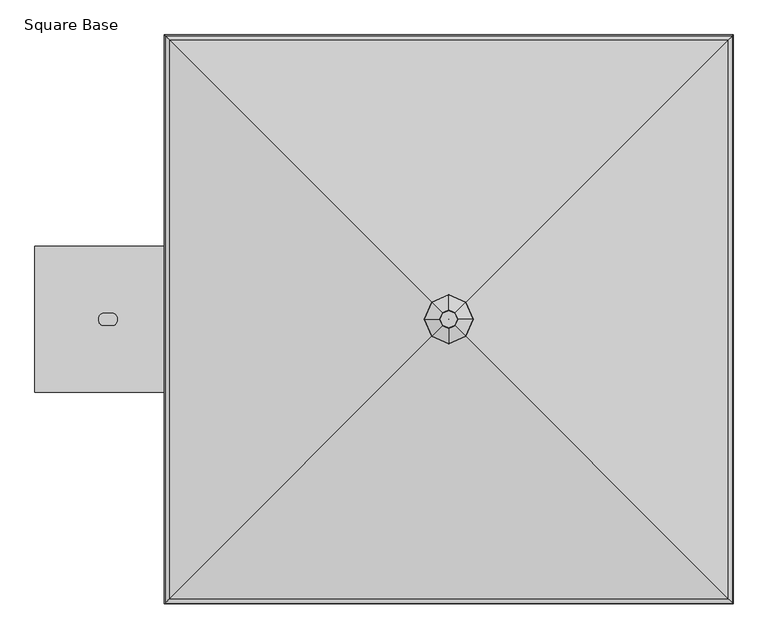
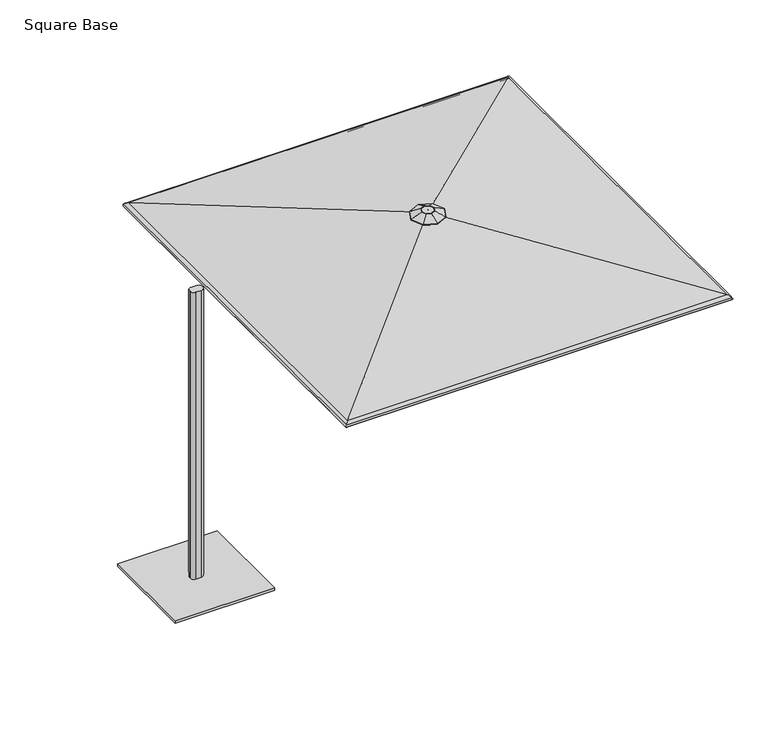
"""IFC4 building model written with IfcOpenShell, lengths in millimetres: furniture geometry, Square Base."""

import ifcopenshell
import ifcopenshell.guid

model = None  # the IFC model being written
_history = None  # IfcOwnerHistory: only IFC2X3 demands one
_inside = {}  # id of a spatial element -> (the spatial element, [elements in it])
_under = {}  # id of a project, library or spatial element -> (it, [spatial elements below it])
_declared = {}  # id of a project -> (the project, [libraries it declares])
_typed = {}  # id of a type object -> (the type object, [elements of that type])
_made_of = {}  # id of a material, layer set ... -> (it, [elements and type objects made of it])


def new_model(schema):
    """Start an empty IFC model of exactly this schema.

    Asked for "IFC4X3", IfcOpenShell would pick the latest addendum, in which some entities
    have other attributes; the version numbers below select the first issue.
    IFC2X3 requires an IfcOwnerHistory on every rooted entity: one is made here for all.
    """
    global model, _history
    if schema == "IFC4X3":
        model = ifcopenshell.file(schema_version=(4, 3, 0, 0))
    else:
        model = ifcopenshell.file(schema=schema)
    _inside.clear()
    _under.clear()
    _declared.clear()
    _typed.clear()
    _made_of.clear()
    _history = None
    if model.schema == "IFC2X3":
        org = make("IfcOrganization", Name="unknown")
        user = make(
            "IfcPersonAndOrganization",
            ThePerson=make("IfcPerson", FamilyName="unknown"),
            TheOrganization=org,
        )
        app = make(
            "IfcApplication",
            ApplicationDeveloper=org,
            Version="unknown",
            ApplicationFullName="unknown",
            ApplicationIdentifier="unknown",
        )
        _history = make(
            "IfcOwnerHistory",
            OwningUser=user,
            OwningApplication=app,
            ChangeAction="ADDED",
            CreationDate=0,
        )
    return model


def make(cls, **values):
    """One entity of the class cls with the attributes given. An attribute that is None is left unset."""
    return model.create_entity(
        cls, **{name: value for name, value in values.items() if value is not None}
    )


def rooted(cls, **values):
    """An entity with a GlobalId (a new one), such as an element, a storey or a relation."""
    return make(cls, GlobalId=ifcopenshell.guid.new(), OwnerHistory=_history, **values)


def si_unit(unit_type, name, prefix=None):
    """IfcSIUnit, for example si_unit("LENGTHUNIT", "METRE", prefix="MILLI")."""
    return make("IfcSIUnit", UnitType=unit_type, Prefix=prefix, Name=name)


def assignment(units):
    """IfcUnitAssignment: the units of a project."""
    return None if units is None else make("IfcUnitAssignment", Units=units)


def point(xyz):
    """IfcCartesianPoint."""
    return None if xyz is None else make("IfcCartesianPoint", Coordinates=xyz)


def direction(xyz):
    """IfcDirection."""
    return None if xyz is None else make("IfcDirection", DirectionRatios=xyz)


def frame(location, z_axis=None, x_axis=None):
    """IfcAxis2Placement3D, a coordinate frame: its origin and axes. An axis left out is left unset."""
    return make(
        "IfcAxis2Placement3D",
        Location=point(location),
        Axis=direction(z_axis),
        RefDirection=direction(x_axis),
    )


def frame_2d(location, x_axis=None):
    """IfcAxis2Placement2D, a coordinate frame in the plane: its origin and x axis."""
    return make(
        "IfcAxis2Placement2D", Location=point(location), RefDirection=direction(x_axis)
    )


def origin():
    """The frame at (0, 0, 0) with its axes left unset."""
    return frame((0.0, 0.0, 0.0))


def origin_with_axes():
    """The frame at (0, 0, 0) with the z axis (0, 0, 1) and the x axis (1, 0, 0) written out."""
    return frame((0.0, 0.0, 0.0), z_axis=(0.0, 0.0, 1.0), x_axis=(1.0, 0.0, 0.0))


def place(relative_to, where):
    """IfcLocalPlacement: puts the frame where relative to a parent placement (None: the world)."""
    return make(
        "IfcLocalPlacement", PlacementRelTo=relative_to, RelativePlacement=where
    )


def context(
    kind, dimensions, precision=None, world=None, true_north=None, identifier=None
):
    """IfcGeometricRepresentationContext, for example the 3D "Model" context."""
    return make(
        "IfcGeometricRepresentationContext",
        ContextIdentifier=identifier,
        ContextType=kind,
        CoordinateSpaceDimension=dimensions,
        Precision=precision,
        WorldCoordinateSystem=world,
        TrueNorth=true_north,
    )


def project(units=None, contexts=None):
    """IfcProject with its units and contexts."""
    return rooted(
        "IfcProject",
        Name="project",
        RepresentationContexts=contexts,
        UnitsInContext=assignment(units),
    )


def spatial(cls, under=None, at=None, **own):
    """A site, building, storey or space (cls), placed at a placement, below another one or the project."""
    s = rooted(cls, ObjectPlacement=at, **own)
    if under is not None:
        _under.setdefault(under.id(), (under, []))[1].append(s)
    return s


def polyline(points):
    """IfcPolyline through the points."""
    return make("IfcPolyline", Points=[point(p) for p in points])


def circle_curve(where, radius):
    """IfcCircle in the frame where."""
    return make("IfcCircle", Position=where, Radius=radius)


def ellipse_curve(where, semi_axis1, semi_axis2):
    """IfcEllipse in the frame where."""
    return make(
        "IfcEllipse", Position=where, SemiAxis1=semi_axis1, SemiAxis2=semi_axis2
    )


def trimmed(basis, trim1, trim2, sense, master):
    """IfcTrimmedCurve: the piece of a basis curve between two trims."""
    return make(
        "IfcTrimmedCurve",
        BasisCurve=basis,
        Trim1=trim1,
        Trim2=trim2,
        SenseAgreement=sense,
        MasterRepresentation=master,
    )


def segment(curve, same_sense, transition):
    """IfcCompositeCurveSegment."""
    return make(
        "IfcCompositeCurveSegment",
        Transition=transition,
        SameSense=same_sense,
        ParentCurve=curve,
    )


def composite_curve(segments, self_intersect=None):
    """IfcCompositeCurve: segments joined end to end."""
    return make("IfcCompositeCurve", Segments=segments, SelfIntersect=self_intersect)


def outline(outer, holes=None, kind="AREA"):
    """IfcArbitraryClosedProfileDef: a profile drawn as a closed curve; with holes, ...WithVoids."""
    if holes is None:
        return make("IfcArbitraryClosedProfileDef", ProfileType=kind, OuterCurve=outer)
    return make(
        "IfcArbitraryProfileDefWithVoids",
        ProfileType=kind,
        OuterCurve=outer,
        InnerCurves=holes,
    )


def extrude(swept, where, along, depth):
    """IfcExtrudedAreaSolid: the profile swept, set in the frame where, extruded along a direction by depth."""
    return make(
        "IfcExtrudedAreaSolid",
        SweptArea=swept,
        Position=where,
        ExtrudedDirection=direction(along),
        Depth=depth,
    )


def shape(context_of_items, identifier, shape_type, items):
    """IfcShapeRepresentation: the items that make up one representation, for example the "Body"."""
    return make(
        "IfcShapeRepresentation",
        ContextOfItems=context_of_items,
        RepresentationIdentifier=identifier,
        RepresentationType=shape_type,
        Items=items,
    )


def source(mapping_origin, context_of_items, identifier, shape_type, items):
    """IfcRepresentationMap: a shape defined once, which mapped items show again and again."""
    return make(
        "IfcRepresentationMap",
        MappingOrigin=mapping_origin,
        MappedRepresentation=shape(context_of_items, identifier, shape_type, items),
    )


def transform(
    local_origin,
    x_axis=None,
    y_axis=None,
    z_axis=None,
    scale=None,
    scale2=None,
    scale3=None,
    uniform=True,
):
    """IfcCartesianTransformationOperator3D, or its non-uniform kind. x_axis, y_axis, z_axis: its Axis1, 2, 3."""
    if uniform:
        return make(
            "IfcCartesianTransformationOperator3D",
            Axis1=direction(x_axis),
            Axis2=direction(y_axis),
            LocalOrigin=point(local_origin),
            Scale=scale,
            Axis3=direction(z_axis),
        )
    return make(
        "IfcCartesianTransformationOperator3DnonUniform",
        Axis1=direction(x_axis),
        Axis2=direction(y_axis),
        LocalOrigin=point(local_origin),
        Scale=scale,
        Axis3=direction(z_axis),
        Scale2=scale2,
        Scale3=scale3,
    )


def mapped(mapping_source, mapping_target):
    """IfcMappedItem: shows the shape of a source again, moved by a transform."""
    return make(
        "IfcMappedItem", MappingSource=mapping_source, MappingTarget=mapping_target
    )


def made_of(thing, what):
    """Note that an element or type object is made of a material, layer set ...; save() writes the relation."""
    if what is not None:
        _made_of.setdefault(what.id(), (what, []))[1].append(thing)
    return thing


def element(
    cls,
    number,
    at=None,
    inside=None,
    cuts=None,
    type_object=None,
    material=None,
    context=None,
    identifier="Body",
    shape_type=None,
    held_by="IfcProductDefinitionShape",
    body=None,
    shapes=None,
    **own,
):
    """One element of the class cls, such as IfcWall. Its Tag is "e" and its number.

    at: its placement. inside: the storey or other place that contains it. cuts: it is an
    opening in that element (IfcRelVoidsElement). A single representation is given by context,
    identifier, shape_type and body (its items); several are given by shapes. held_by: the class
    of the entity that holds the representations. save() writes the other relations.
    """
    e = rooted(cls, Tag="e%d" % number, ObjectPlacement=at, **own)
    if body is not None:
        shapes = [shape(context, identifier, shape_type, body)]
    if shapes is not None:
        e.Representation = make(held_by, Representations=shapes)
    if inside is not None:
        _inside.setdefault(inside.id(), (inside, []))[1].append(e)
    if cuts is not None:
        rooted(
            "IfcRelVoidsElement", RelatingBuildingElement=cuts, RelatedOpeningElement=e
        )
    if type_object is not None:
        _typed.setdefault(type_object.id(), (type_object, []))[1].append(e)
    return made_of(e, material)


def aggregate(whole, parts):
    """IfcRelAggregates: a whole, such as a stair, and the parts it consists of."""
    return rooted("IfcRelAggregates", RelatingObject=whole, RelatedObjects=parts)


def save(model, path):
    """Write the relations noted so far, then the file.

    IfcRelAggregates (storeys below a building ...), IfcRelContainedInSpatialStructure (elements
    in a storey), IfcRelDefinesByType, IfcRelAssociatesMaterial and IfcRelDeclares: one each for
    every whole, place, type object, material and project.
    """
    for whole, parts in _under.values():
        aggregate(whole, parts)
    for where, things in _inside.values():
        rooted(
            "IfcRelContainedInSpatialStructure",
            RelatedElements=things,
            RelatingStructure=where,
        )
    for kind, things in _typed.values():
        rooted("IfcRelDefinesByType", RelatedObjects=things, RelatingType=kind)
    for what, things in _made_of.values():
        rooted("IfcRelAssociatesMaterial", RelatedObjects=things, RelatingMaterial=what)
    for by, libraries in _declared.values():
        rooted("IfcRelDeclares", RelatingContext=by, RelatedDefinitions=libraries)
    model.write(path)


def plane_surface(at):
    """IfcPlane: the flat surface through the origin of the frame at, square to its z axis."""
    return make("IfcPlane", Position=at)


def cylinder_surface(at, radius):
    """IfcCylindricalSurface: all points at the distance radius from the z axis of the frame at."""
    return make("IfcCylindricalSurface", Position=at, Radius=radius)


def revolved_surface(curve, axis_point, axis_direction):
    """IfcSurfaceOfRevolution: the curve turned about the line through axis_point along axis_direction."""
    return make(
        "IfcSurfaceOfRevolution",
        SweptCurve=make("IfcArbitraryOpenProfileDef", ProfileType="CURVE", Curve=curve),
        AxisPosition=make("IfcAxis1Placement", Location=point(axis_point), Axis=direction(axis_direction)),
    )


def advanced_brep(points, edges, surfaces, faces):
    """IfcAdvancedBrep: a solid bounded by faces that lie on surfaces and meet in shared edges.

    An edge is (start, end): straight between two places in points (the first is 0);
    or (start, end, curve); or (start, end, curve, False) where it runs against its curve.
    A face is (place in surfaces, loops), or (place, loops, False) where it looks against
    its surface's normal. A loop lists edges by number (the first is 1), with a minus sign
    where the edge is run from its end to its start. The first loop is the outer one.
    """
    corners = [point(p) for p in points]
    vertices = [make("IfcVertexPoint", VertexGeometry=c) for c in corners]
    made = []
    for start, end, *more in edges:
        made.append(
            make(
                "IfcEdgeCurve",
                EdgeStart=vertices[start],
                EdgeEnd=vertices[end],
                EdgeGeometry=more[0] if more else make("IfcPolyline", Points=[corners[start], corners[end]]),
                SameSense=more[1] if len(more) > 1 else True,
            )
        )
    hull = []
    for where, loops, *sense in faces:
        bounds = []
        for j, loop in enumerate(loops):
            ring = [make("IfcOrientedEdge", EdgeElement=made[abs(k) - 1], Orientation=k > 0) for k in loop]
            bounds.append(
                make(
                    "IfcFaceOuterBound" if j == 0 else "IfcFaceBound",
                    Bound=make("IfcEdgeLoop", EdgeList=ring),
                    Orientation=True,
                )
            )
        hull.append(make("IfcAdvancedFace", Bounds=bounds, FaceSurface=surfaces[where], SameSense=sense[0] if sense else True))
    return make("IfcAdvancedBrep", Outer=make("IfcClosedShell", CfsFaces=hull))


def square_base_9fbd0736(model_context):
    return source(origin(), model_context, "Body", "SolidModel", [
        advanced_brep(
        [(243.7167733, -4.0299408, 2843.4799255), (227.6284214, 33.0984806, 2843.4799255), (190.5, 49.1868325, 2843.4799255), (153.3715786, 33.0984806, 2843.4799255), (137.2832267, -4.0299408, 2843.4799255), (153.3715786, -41.1583622, 2843.4799255), (190.5, -57.2467141, 2843.4799255), (227.6284214, -41.1583622, 2843.4799255), (190.2200807, -3.7500215, 2843.4799255), (190.5, -3.6287279, 2843.4799255), (190.7799193, -3.7500215, 2843.4799255), (190.9012128, -4.0299408, 2843.4799255), (190.7799193, -4.30986, 2843.4799255), (190.5, -4.4311536, 2843.4799255), (190.2200807, -4.30986, 2843.4799255), (190.0987872, -4.0299408, 2843.4799255), (170.7122835, 15.7577757, 2828.9716869), (190.5, 24.3321167, 2828.9716869), (210.2877165, 15.7577757, 2828.9716869), (218.8620575, -4.0299408, 2828.9716869), (210.2877165, -23.8176572, 2828.9716869), (190.5, -32.3919982, 2828.9716869), (170.7122835, -23.8176572, 2828.9716869), (162.1379425, -4.0299408, 2828.9716869), (190.9012128, -4.0299408, 2828.9716869), (190.7799193, -3.7500215, 2828.9716869), (190.5, -3.6287279, 2828.9716869), (190.2200807, -3.7500215, 2828.9716869), (190.0987872, -4.0299408, 2828.9716869), (190.2200807, -4.30986, 2828.9716869), (190.5, -4.4311536, 2828.9716869), (190.7799193, -4.30986, 2828.9716869), (84.5700231, 101.9000361, 2796.4187712), (38.6688326, -4.0299408, 2796.4187712), (83.8039003, 102.6661589, 2798.9948487), (37.5707362, -4.0299408, 2798.9948487), (149.033862, 37.4361973, 2842.1265361), (131.0659065, -4.0299408, 2842.1265361), (84.5700231, -109.9599176, 2796.4187712), (83.8039003, -110.7260405, 2798.9948487), (149.033862, -45.4960788, 2842.1265361), (190.5, -155.8611082, 2796.4187712), (190.5, -156.9592046, 2798.9948487), (190.5, -63.4640343, 2842.1265361), (296.4299769, -109.9599176, 2796.4187712), (297.1960997, -110.7260405, 2798.9948487), (231.966138, -45.4960788, 2842.1265361), (342.3311674, -4.0299408, 2796.4187712), (343.4292638, -4.0299408, 2798.9948487), (249.9340935, -4.0299408, 2842.1265361), (296.4299769, 101.9000361, 2796.4187712), (297.1960997, 102.6661589, 2798.9948487), (231.966138, 37.4361973, 2842.1265361), (190.5, 147.8012266, 2796.4187712), (190.5, 148.899323, 2798.9948487), (190.5, 55.4041527, 2842.1265361)],
        [
            (0, 1),
            (1, 2),
            (2, 3),
            (3, 4),
            (4, 5),
            (5, 6),
            (6, 7),
            (7, 0),
            (8, 9),
            (9, 10),
            (10, 11),
            (11, 12),
            (12, 13),
            (13, 14),
            (14, 15),
            (15, 8),
            (16, 17),
            (17, 18),
            (18, 19),
            (19, 20),
            (20, 21),
            (21, 22),
            (22, 23),
            (23, 16),
            (24, 25),
            (25, 26),
            (26, 27),
            (27, 28),
            (28, 29),
            (29, 30),
            (30, 31),
            (31, 24),
            (27, 8),
            (15, 28),
            (14, 29),
            (13, 30),
            (12, 31),
            (11, 24),
            (10, 25),
            (9, 26),
            (32, 16),
            (23, 33),
            (33, 32),
            (34, 32, ellipse_curve(frame((84.278338, 102.1917212, 2797.7538132), z_axis=(-0.7071067811865479, -0.707106781186547, 0.0), x_axis=(-0.7071067811865467, 0.7071067811865482, 0.0)), 1.4936871, 1.3890625)),
            (33, 35, ellipse_curve(frame((38.2507556, -4.0299408, 2797.7538132), z_axis=(0.0, 0.9999999999999999, 0.0), x_axis=(1.0, 0.0, 0.0)), 1.5138634, 1.3890625)),
            (35, 34),
            (36, 34),
            (35, 37),
            (37, 36),
            (3, 36, ellipse_curve(frame((153.3715786, 33.0984806, 2830.7799255), z_axis=(-0.7071067811865479, -0.707106781186547, 0.0), x_axis=(-0.7071067811865467, 0.7071067811865482, 0.0)), 13.656568, 12.7)),
            (37, 4, ellipse_curve(frame((137.2832267, -4.0299408, 2830.7799255), z_axis=(0.0, 0.9999999999999999, 0.0), x_axis=(1.0, 0.0, 0.0)), 13.8410369, 12.7)),
            (22, 38),
            (38, 33),
            (38, 39, ellipse_curve(frame((84.278338, -110.2516027, 2797.7538132), z_axis=(-0.707106781186547, 0.707106781186548, 0.0), x_axis=(0.7071067811865479, 0.707106781186547, 0.0)), 1.4936871, 1.3890625)),
            (39, 35),
            (39, 40),
            (40, 37),
            (40, 5, ellipse_curve(frame((153.3715786, -41.1583622, 2830.7799255), z_axis=(-0.707106781186547, 0.707106781186548, 0.0), x_axis=(0.7071067811865479, 0.707106781186547, 0.0)), 13.656568, 12.7)),
            (21, 41),
            (41, 38),
            (41, 42, ellipse_curve(frame((190.5, -156.2791852, 2797.7538132), z_axis=(-0.9999999999999999, 0.0, 0.0), x_axis=(0.0, 1.0, 0.0)), 1.5138634, 1.3890625)),
            (42, 39),
            (42, 43),
            (43, 40),
            (43, 6, ellipse_curve(frame((190.5, -57.2467141, 2830.7799255), z_axis=(-0.9999999999999999, 0.0, 0.0), x_axis=(0.0, 1.0, 0.0)), 13.8410369, 12.7)),
            (20, 44),
            (44, 41),
            (44, 45, ellipse_curve(frame((296.721662, -110.2516027, 2797.7538132), z_axis=(-0.707106781186548, -0.707106781186547, 0.0), x_axis=(-0.7071067811865469, 0.7071067811865481, 0.0)), 1.4936871, 1.3890625)),
            (45, 42),
            (45, 46),
            (46, 43),
            (46, 7, ellipse_curve(frame((227.6284214, -41.1583622, 2830.7799255), z_axis=(-0.707106781186548, -0.707106781186547, 0.0), x_axis=(-0.7071067811865469, 0.7071067811865481, 0.0)), 13.656568, 12.7)),
            (19, 47),
            (47, 44),
            (47, 48, ellipse_curve(frame((342.7492444, -4.0299408, 2797.7538132), z_axis=(0.0, -1.0, 0.0), x_axis=(-1.0, 0.0, 0.0)), 1.5138634, 1.3890625)),
            (48, 45),
            (48, 49),
            (49, 46),
            (49, 0, ellipse_curve(frame((243.7167733, -4.0299408, 2830.7799255), z_axis=(0.0, -1.0, 0.0), x_axis=(-1.0, 0.0, 0.0)), 13.8410369, 12.7)),
            (18, 50),
            (50, 47),
            (50, 51, ellipse_curve(frame((296.721662, 102.1917212, 2797.7538132), z_axis=(0.707106781186547, -0.707106781186548, 0.0), x_axis=(-0.7071067811865478, -0.7071067811865471, 0.0)), 1.4936871, 1.3890625)),
            (51, 48),
            (51, 52),
            (52, 49),
            (52, 1, ellipse_curve(frame((227.6284214, 33.0984806, 2830.7799255), z_axis=(0.707106781186547, -0.707106781186548, 0.0), x_axis=(-0.7071067811865478, -0.7071067811865471, 0.0)), 13.656568, 12.7)),
            (17, 53),
            (53, 50),
            (53, 54, ellipse_curve(frame((190.5, 148.2193037, 2797.7538132), z_axis=(0.9999999999999999, 0.0, 0.0), x_axis=(0.0, -1.0, 0.0)), 1.5138634, 1.3890625)),
            (54, 51),
            (54, 55),
            (55, 52),
            (55, 2, ellipse_curve(frame((190.5, 49.1868325, 2830.7799255), z_axis=(0.9999999999999999, 0.0, 0.0), x_axis=(0.0, -1.0, 0.0)), 13.8410369, 12.7)),
            (32, 53),
            (34, 54),
            (36, 55),
        ],
        [
            plane_surface(frame((190.5, 49.1868325, 2843.4799255), z_axis=(0.0, 0.0, 1.0), x_axis=(-0.9175613115760063, -0.3975943152246007, 0.0))),
            plane_surface(frame((190.5, -3.6287279, 2828.9716869), z_axis=(0.0, 0.0, -1.0000000000000002), x_axis=(-0.9175613115759947, -0.39759431522462746, 0.0))),
            plane_surface(frame((190.2200807, -3.7500215, 2843.4799255), z_axis=(0.9175613115760348, -0.397594315224535, 0.0), x_axis=(-0.397594315224535, -0.9175613115760348, 0.0))),
            plane_surface(frame((190.0987872, -4.0299408, 2843.4799255), z_axis=(0.9175613115760161, 0.3975943152245781, 0.0), x_axis=(0.3975943152245781, -0.9175613115760161, 0.0))),
            plane_surface(frame((190.2200807, -4.30986, 2843.4799255), z_axis=(0.39759431522454197, 0.9175613115760317, 0.0), x_axis=(0.9175613115760317, -0.39759431522454197, 0.0))),
            plane_surface(frame((190.5, -4.4311536, 2843.4799255), z_axis=(-0.3975943152245726, 0.9175613115760184, 0.0), x_axis=(0.9175613115760184, 0.3975943152245726, 0.0))),
            plane_surface(frame((190.7799193, -4.30986, 2843.4799255), z_axis=(-0.9175613115759994, 0.39759431522461663, 0.0), x_axis=(0.39759431522461663, 0.9175613115759994, 0.0))),
            plane_surface(frame((190.9012128, -4.0299408, 2843.4799255), z_axis=(-0.91756131157602, -0.3975943152245694, 0.0), x_axis=(-0.3975943152245694, 0.91756131157602, 0.0))),
            plane_surface(frame((190.7799193, -3.7500215, 2843.4799255), z_axis=(-0.3975943152246114, -0.9175613115760016, 0.0), x_axis=(-0.9175613115760016, 0.3975943152246114, 0.0))),
            plane_surface(frame((190.5, -3.6287279, 2843.4799255), z_axis=(0.39759431522460253, -0.9175613115760055, 0.0), x_axis=(-0.9175613115760055, -0.39759431522460253, 0.0))),
            plane_surface(frame((170.7122835, 15.7577757, 2828.9716869), z_axis=(0.25339888552783735, -0.10980187928485084, -0.9611100624375781), x_axis=(-0.39759431522460265, -0.9175613115760055, 0.0))),
            cylinder_surface(frame((84.3593942, 102.3787813, 2797.7538132), z_axis=(0.3975943152246023, 0.9175613115760056, 0.0), x_axis=(0.9175613115760056, -0.3975943152246023, 0.0)), 1.3890625),
            plane_surface(frame((83.8039003, 102.6661589, 2798.9948487), z_axis=(-0.4121636618055376, 0.1785972520948631, 0.8934339021053628), x_axis=(-0.3975943152246023, -0.9175613115760056, 0.0))),
            cylinder_surface(frame((167.7366896, 66.2500363, 2830.7799255), z_axis=(0.3975943152246023, 0.9175613115760056, 0.0), x_axis=(0.9175613115760056, -0.3975943152246023, 0.0)), 12.7),
            plane_surface(frame((162.1379425, -4.0299408, 2828.9716869), z_axis=(0.25339888552783774, 0.1098018792848499, -0.9611100624375779), x_axis=(0.39759431522459926, -0.9175613115760068, 0.0))),
            cylinder_surface(frame((38.1619188, -3.8249249, 2797.7538132), z_axis=(-0.39759431522459965, 0.9175613115760068, 0.0), x_axis=(0.9175613115760068, 0.39759431522459965, 0.0)), 1.3890625),
            plane_surface(frame((37.5707362, -4.0299408, 2798.9948487), z_axis=(-0.41216366180553804, -0.17859725209486188, 0.8934339021053624), x_axis=(0.39759431522459965, -0.9175613115760067, 0.0))),
            cylinder_surface(frame((121.5392142, 32.3038202, 2830.7799255), z_axis=(-0.39759431522459965, 0.9175613115760068, 0.0), x_axis=(0.9175613115760068, 0.39759431522459965, 0.0)), 12.7),
            plane_surface(frame((170.7122835, -23.8176572, 2828.9716869), z_axis=(0.10980187928485022, 0.2533988855278375, -0.9611100624375781), x_axis=(0.9175613115760065, -0.39759431522460054, 0.0))),
            cylinder_surface(frame((84.0912779, -110.1705465, 2797.7538132), z_axis=(-0.9175613115760063, 0.3975943152246009, 0.0), x_axis=(0.3975943152246009, 0.9175613115760063, 0.0)), 1.3890625),
            plane_surface(frame((83.8039003, -110.7260405, 2798.9948487), z_axis=(-0.17859725209486255, -0.4121636618055377, 0.8934339021053628), x_axis=(0.9175613115760062, -0.39759431522460115, 0.0))),
            cylinder_surface(frame((120.2200229, -26.7932512, 2830.7799255), z_axis=(-0.9175613115760063, 0.3975943152246009, 0.0), x_axis=(0.3975943152246009, 0.9175613115760063, 0.0)), 12.7),
            plane_surface(frame((190.5, -32.3919982, 2828.9716869), z_axis=(-0.10980187928485018, 0.2533988855278376, -0.9611100624375781), x_axis=(0.9175613115760065, 0.39759431522460026, 0.0))),
            cylinder_surface(frame((190.2949841, -156.368022, 2797.7538132), z_axis=(-0.9175613115760062, -0.3975943152246011, 0.0), x_axis=(-0.3975943152246011, 0.9175613115760062, 0.0)), 1.3890625),
            plane_surface(frame((190.5, -156.9592046, 2798.9948487), z_axis=(0.1785972520948624, -0.4121636618055376, 0.8934339021053627), x_axis=(0.9175613115760062, 0.397594315224601, 0.0))),
            cylinder_surface(frame((154.1662391, -72.9907266, 2830.7799255), z_axis=(-0.9175613115760062, -0.3975943152246011, 0.0), x_axis=(-0.3975943152246011, 0.9175613115760062, 0.0)), 12.7),
            plane_surface(frame((210.2877165, -23.8176572, 2828.9716869), z_axis=(-0.2533988855278374, 0.10980187928485075, -0.9611100624375781), x_axis=(0.3975943152246023, 0.9175613115760056, 0.0))),
            cylinder_surface(frame((296.6406058, -110.4386628, 2797.7538132), z_axis=(-0.3975943152246023, -0.9175613115760057, 0.0), x_axis=(-0.9175613115760057, 0.3975943152246023, 0.0)), 1.3890625),
            plane_surface(frame((297.1960997, -110.7260405, 2798.9948487), z_axis=(0.4121636618055374, -0.17859725209486313, 0.8934339021053627), x_axis=(0.39759431522460253, 0.9175613115760055, 0.0))),
            cylinder_surface(frame((213.2633104, -74.3099178, 2830.7799255), z_axis=(-0.3975943152246023, -0.9175613115760057, 0.0), x_axis=(-0.9175613115760057, 0.3975943152246023, 0.0)), 12.7),
            plane_surface(frame((218.8620575, -4.0299408, 2828.9716869), z_axis=(-0.2533988855278377, -0.1098018792848499, -0.961110062437578), x_axis=(-0.3975943152245993, 0.9175613115760068, 0.0))),
            cylinder_surface(frame((342.8380812, -4.2349567, 2797.7538132), z_axis=(0.39759431522459965, -0.9175613115760066, 0.0), x_axis=(-0.9175613115760066, -0.39759431522459965, 0.0)), 1.3890625),
            plane_surface(frame((343.4292638, -4.0299408, 2798.9948487), z_axis=(0.4121636618055379, 0.1785972520948618, 0.8934339021053627), x_axis=(-0.3975943152245996, 0.9175613115760067, 0.0))),
            cylinder_surface(frame((259.4607858, -40.3637017, 2830.7799255), z_axis=(0.39759431522459965, -0.9175613115760066, 0.0), x_axis=(-0.9175613115760066, -0.39759431522459965, 0.0)), 12.7),
            plane_surface(frame((210.2877165, 15.7577757, 2828.9716869), z_axis=(-0.10980187928485009, -0.2533988855278375, -0.961110062437578), x_axis=(-0.9175613115760065, 0.3975943152246001, 0.0))),
            cylinder_surface(frame((296.9087221, 102.110665, 2797.7538132), z_axis=(0.9175613115760062, -0.3975943152246008, 0.0), x_axis=(-0.3975943152246008, -0.9175613115760062, 0.0)), 1.3890625),
            plane_surface(frame((297.1960997, 102.6661589, 2798.9948487), z_axis=(0.17859725209486232, 0.41216366180553754, 0.8934339021053628), x_axis=(-0.9175613115760062, 0.39759431522460087, 0.0))),
            cylinder_surface(frame((260.7799771, 18.7333696, 2830.7799255), z_axis=(0.9175613115760062, -0.3975943152246008, 0.0), x_axis=(-0.3975943152246008, -0.9175613115760062, 0.0)), 12.7),
            plane_surface(frame((190.5, 24.3321167, 2828.9716869), z_axis=(0.1098018792848503, -0.25339888552783746, -0.961110062437578), x_axis=(-0.9175613115760063, -0.39759431522460087, 0.0))),
            cylinder_surface(frame((190.7050159, 148.3081404, 2797.7538132), z_axis=(0.9175613115760061, 0.39759431522460115, 0.0), x_axis=(0.39759431522460115, -0.9175613115760061, 0.0)), 1.3890625),
            plane_surface(frame((190.5, 148.899323, 2798.9948487), z_axis=(-0.17859725209486235, 0.4121636618055375, 0.8934339021053627), x_axis=(-0.9175613115760062, -0.397594315224601, 0.0))),
            cylinder_surface(frame((226.8337609, 64.9308451, 2830.7799255), z_axis=(0.9175613115760061, 0.39759431522460115, 0.0), x_axis=(0.39759431522460115, -0.9175613115760061, 0.0)), 12.7),
        ],
        [
            (0, [[1, 2, 3, 4, 5, 6, 7, 8], [9, 10, 11, 12, 13, 14, 15, 16]]),
            (1, [[17, 18, 19, 20, 21, 22, 23, 24], [25, 26, 27, 28, 29, 30, 31, 32]]),
            (2, [[33, -16, 34, -28]]),
            (3, [[-34, -15, 35, -29]]),
            (4, [[-35, -14, 36, -30]]),
            (5, [[-36, -13, 37, -31]]),
            (6, [[-37, -12, 38, -32]]),
            (7, [[-38, -11, 39, -25]]),
            (8, [[-39, -10, 40, -26]]),
            (9, [[-40, -9, -33, -27]]),
            (10, [[41, -24, 42, 43]]),
            (11, [[44, -43, 45, 46]]),
            (12, [[47, -46, 48, 49]]),
            (13, [[50, -49, 51, -4]]),
            (14, [[-42, -23, 52, 53]]),
            (15, [[-45, -53, 54, 55]]),
            (16, [[-48, -55, 56, 57]]),
            (17, [[-51, -57, 58, -5]]),
            (18, [[-52, -22, 59, 60]]),
            (19, [[-54, -60, 61, 62]]),
            (20, [[-56, -62, 63, 64]]),
            (21, [[-58, -64, 65, -6]]),
            (22, [[-59, -21, 66, 67]]),
            (23, [[-61, -67, 68, 69]]),
            (24, [[-63, -69, 70, 71]]),
            (25, [[-65, -71, 72, -7]]),
            (26, [[-66, -20, 73, 74]]),
            (27, [[-68, -74, 75, 76]]),
            (28, [[-70, -76, 77, 78]]),
            (29, [[-72, -78, 79, -8]]),
            (30, [[-73, -19, 80, 81]]),
            (31, [[-75, -81, 82, 83]]),
            (32, [[-77, -83, 84, 85]]),
            (33, [[-79, -85, 86, -1]]),
            (34, [[-80, -18, 87, 88]]),
            (35, [[-82, -88, 89, 90]]),
            (36, [[-84, -90, 91, 92]]),
            (37, [[-86, -92, 93, -2]]),
            (38, [[-87, -17, -41, 94]]),
            (39, [[-89, -94, -44, 95]]),
            (40, [[-91, -95, -47, 96]]),
            (41, [[-93, -96, -50, -3]]),
        ],
    ),
        advanced_brep(
        [(1969.2597722, 1775.5831599, 2424.8460308), (1966.4607714, 1772.7841591, 2444.7505632), (1966.4607714, -1780.8440407, 2444.7505632), (1969.2597722, -1783.6430415, 2424.8460308), (1964.8682201, 1771.1916078, 2426.0889856), (1964.8682201, -1779.2514894, 2426.0889856), (1962.5823249, 1768.9057126, 2442.3446706), (1962.5823249, -1776.9655942, 2442.3446706), (-1588.2597722, -1783.6430415, 2424.8460308), (-1583.8682201, -1779.2514894, 2426.0889856), (-1581.5823249, -1776.9655942, 2442.3446706), (1936.4170078, -1750.8002771, 2460.5452311), (-1555.4170078, -1750.8002771, 2460.5452311), (238.8667055, -53.2499747, 2804.5941208), (142.1332945, -53.2499747, 2804.5941208), (191.0356592, -5.4189284, 2809.1581833), (191.0356592, -5.4189284, 2804.5941208), (189.9643408, -5.4189284, 2804.5941208), (189.9643408, -5.4189284, 2809.1581833), (1937.3235912, -1751.7068604, 2465.0183478), (239.3245589, -53.7078281, 2809.1581833), (141.6754411, -53.7078281, 2809.1581833), (-1556.3235912, -1751.7068604, 2465.0183478), (-1585.4607714, -1780.8440407, 2444.7505632), (-1588.2597722, 1775.5831599, 2424.8460308), (-1583.8682201, 1771.1916078, 2426.0889856), (-1581.5823249, 1768.9057126, 2442.3446706), (-1555.4170078, 1742.7403955, 2460.5452311), (142.1332945, 45.1900932, 2804.5941208), (189.9643408, -2.6409532, 2804.5941208), (189.9643408, -2.6409532, 2809.1581833), (141.6754411, 45.6479465, 2809.1581833), (-1556.3235912, 1743.6469788, 2465.0183478), (-1585.4607714, 1772.7841591, 2444.7505632), (1936.4170078, 1742.7403955, 2460.5452311), (238.8667055, 45.1900932, 2804.5941208), (191.0356592, -2.6409532, 2804.5941208), (191.0356592, -2.6409532, 2809.1581833), (239.3245589, 45.6479465, 2809.1581833), (1937.3235912, 1743.6469788, 2465.0183478)],
        [
            (0, 1, ellipse_curve(frame((1945.3037712, 1751.6271588, 2431.626373), z_axis=(0.7071067811865479, -0.707106781186547, 0.0), x_axis=(0.7071067811865469, 0.7071067811865481, 0.0)), 35.2097438, 24.8970486)),
            (1, 2),
            (2, 3, ellipse_curve(frame((1945.3037712, -1759.6870404, 2431.626373), z_axis=(0.7071067811865492, 0.7071067811865457, 0.0), x_axis=(-0.7071067811865456, 0.7071067811865493, 0.0)), 35.2097438, 24.8970486)),
            (3, 0),
            (4, 0, ellipse_curve(frame((1967.0639962, 1773.3873839, 2425.4675082), z_axis=(0.7071067811865479, -0.707106781186547, 0.0), x_axis=(0.7071067811865469, 0.7071067811865481, 0.0)), 3.2272795, 2.2820312)),
            (3, 5, ellipse_curve(frame((1967.0639962, -1781.4472654, 2425.4675082), z_axis=(0.7071067811865492, 0.7071067811865457, 0.0), x_axis=(-0.7071067811865456, 0.7071067811865493, 0.0)), 3.2272795, 2.2820312)),
            (5, 4),
            (6, 4, ellipse_curve(frame((1945.3037712, 1751.6271588, 2431.626373), z_axis=(-0.7071067811865479, 0.707106781186547, 0.0), x_axis=(-0.7071067811865469, -0.7071067811865481, 0.0)), 28.7551847, 20.3329861)),
            (5, 7, ellipse_curve(frame((1945.3037712, -1759.6870404, 2431.626373), z_axis=(-0.7071067811865492, -0.7071067811865457, 0.0), x_axis=(0.7071067811865456, -0.7071067811865493, 0.0)), 28.7551847, 20.3329861)),
            (7, 6),
            (3, 8),
            (8, 9, ellipse_curve(frame((-1586.0639962, -1781.4472654, 2425.4675082), z_axis=(0.7071067811865469, -0.7071067811865481, 0.0), x_axis=(0.7071067811865481, 0.7071067811865469, 0.0)), 3.2272795, 2.2820312)),
            (9, 5),
            (9, 10, ellipse_curve(frame((-1564.3037712, -1759.6870404, 2431.626373), z_axis=(-0.7071067811865469, 0.7071067811865481, 0.0), x_axis=(-0.7071067811865481, -0.7071067811865469, 0.0)), 28.7551847, 20.3329861)),
            (10, 7),
            (11, 7, ellipse_curve(frame((1928.4351327, -1742.8184019, 2421.1623556), z_axis=(0.7071067811865492, 0.7071067811865457, 0.0), x_axis=(-0.7071067811865458, 0.7071067811865491, 0.0)), 56.8281833, 40.1835938)),
            (10, 12, ellipse_curve(frame((-1547.4351327, -1742.8184019, 2421.1623556), z_axis=(-0.7071067811865469, 0.7071067811865481, 0.0), x_axis=(-0.7071067811865481, -0.7071067811865469, 0.0)), 56.8281833, 40.1835938)),
            (12, 11),
            (13, 11),
            (12, 14),
            (14, 13),
            (15, 16),
            (16, 17),
            (17, 18),
            (18, 15),
            (19, 20),
            (20, 21),
            (21, 22),
            (22, 19),
            (2, 19, ellipse_curve(frame((1928.4351327, -1742.8184019, 2421.1623556), z_axis=(-0.7071067811865492, -0.7071067811865457, 0.0), x_axis=(0.7071067811865458, -0.7071067811865491, 0.0)), 63.2827424, 44.7476563)),
            (22, 23, ellipse_curve(frame((-1547.4351327, -1742.8184019, 2421.1623556), z_axis=(0.7071067811865469, -0.7071067811865481, 0.0), x_axis=(0.7071067811865481, 0.7071067811865469, 0.0)), 63.2827424, 44.7476563)),
            (23, 2),
            (23, 8, ellipse_curve(frame((-1564.3037712, -1759.6870404, 2431.626373), z_axis=(0.7071067811865469, -0.7071067811865481, 0.0), x_axis=(0.7071067811865481, 0.7071067811865469, 0.0)), 35.2097438, 24.8970486)),
            (8, 24),
            (24, 25, ellipse_curve(frame((-1586.0639962, 1773.3873839, 2425.4675082), z_axis=(-0.7071067811865459, -0.7071067811865491, 0.0), x_axis=(0.7071067811865491, -0.7071067811865458, 0.0)), 3.2272795, 2.2820312)),
            (25, 9),
            (25, 26, ellipse_curve(frame((-1564.3037712, 1751.6271588, 2431.626373), z_axis=(0.7071067811865459, 0.7071067811865491, 0.0), x_axis=(-0.7071067811865491, 0.7071067811865458, 0.0)), 28.7551847, 20.3329861)),
            (26, 10),
            (26, 27, ellipse_curve(frame((-1547.4351327, 1734.7585204, 2421.1623556), z_axis=(0.7071067811865459, 0.7071067811865491, 0.0), x_axis=(-0.7071067811865491, 0.7071067811865458, 0.0)), 56.8281833, 40.1835938)),
            (27, 12),
            (27, 28),
            (28, 14),
            (17, 29),
            (29, 30),
            (30, 18),
            (21, 31),
            (31, 32),
            (32, 22),
            (32, 33, ellipse_curve(frame((-1547.4351327, 1734.7585204, 2421.1623556), z_axis=(-0.7071067811865459, -0.7071067811865491, 0.0), x_axis=(0.7071067811865491, -0.7071067811865458, 0.0)), 63.2827424, 44.7476563)),
            (33, 23),
            (33, 24, ellipse_curve(frame((-1564.3037712, 1751.6271588, 2431.626373), z_axis=(-0.7071067811865459, -0.7071067811865491, 0.0), x_axis=(0.7071067811865491, -0.7071067811865458, 0.0)), 35.2097438, 24.8970486)),
            (24, 0),
            (4, 25),
            (6, 26),
            (6, 34, ellipse_curve(frame((1928.4351327, 1734.7585204, 2421.1623556), z_axis=(0.7071067811865479, -0.707106781186547, 0.0), x_axis=(0.7071067811865472, 0.7071067811865477, 0.0)), 56.8281833, 40.1835938)),
            (34, 27),
            (34, 35),
            (35, 28),
            (29, 36),
            (36, 37),
            (37, 30),
            (31, 38),
            (38, 39),
            (39, 32),
            (39, 1, ellipse_curve(frame((1928.4351327, 1734.7585204, 2421.1623556), z_axis=(-0.7071067811865479, 0.707106781186547, 0.0), x_axis=(-0.7071067811865472, -0.7071067811865477, 0.0)), 63.2827424, 44.7476563)),
            (1, 33),
            (11, 34),
            (13, 35),
            (16, 36),
            (15, 37),
            (20, 38),
            (19, 39),
        ],
        [
            cylinder_surface(frame((1945.3037712, 1783.2910751, 2431.626373), z_axis=(0.0, 1.0, 0.0), x_axis=(1.0, 0.0, 0.0)), 24.8970486),
            cylinder_surface(frame((1967.0639962, 1783.2910751, 2425.4675082), z_axis=(0.0, 1.0, 0.0), x_axis=(1.0, 0.0, 0.0)), 2.2820312),
            revolved_surface(polyline([(1965.6367573, -1780.020026495642, 2431.626373), (1965.6367573, 1771.9601448956416, 2431.626373)]), (1945.3037712, 1783.2910751, 2431.626373), (0.0, -1.0, 0.0)),
            cylinder_surface(frame((1976.9676874, -1781.4472654, 2425.4675082), z_axis=(1.0, 0.0, 0.0), x_axis=(0.0, -1.0, 0.0)), 2.2820312),
            revolved_surface(polyline([(-1584.6367572956422, -1780.0200264999999, 2431.626373), (1965.6367572956417, -1780.0200264999999, 2431.626373)]), (1976.9676874, -1759.6870404, 2431.626373), (-1.0, 0.0, 0.0)),
            revolved_surface(polyline([(-1587.6187264739422, -1783.0019957, 2421.1623556), (1968.618726473942, -1783.0019957, 2421.1623556)]), (1976.9676874, -1742.8184019, 2421.1623556), (-1.0, 0.0, 0.0)),
            plane_surface(frame((1936.4170078, -1750.8002771, 2460.5452311), z_axis=(0.0, 0.19863517413845191, -0.9800735011186594), x_axis=(-1.0, 0.0, 0.0))),
            plane_surface(frame((191.0356592, -5.4189284, 2804.5941208), z_axis=(0.0, 1.0, 0.0), x_axis=(-1.0, 0.0, 0.0))),
            plane_surface(frame((239.3245589, -53.7078281, 2809.1581833), z_axis=(0.0, -0.19863517413845186, 0.9800735011186594), x_axis=(-1.0, 0.0, 0.0))),
            cylinder_surface(frame((1976.9676874, -1742.8184019, 2421.1623556), z_axis=(1.0, 0.0, 0.0), x_axis=(0.0, -1.0, 0.0)), 44.7476563),
            cylinder_surface(frame((1976.9676874, -1759.6870404, 2431.626373), z_axis=(1.0, 0.0, 0.0), x_axis=(0.0, -1.0, 0.0)), 24.8970486),
            cylinder_surface(frame((-1586.0639962, -1791.3509566, 2425.4675082), z_axis=(0.0, -1.0, 0.0), x_axis=(-1.0, 0.0, 0.0)), 2.2820312),
            revolved_surface(polyline([(-1584.6367573, 1771.9601448956416, 2431.626373), (-1584.6367573, -1780.0200264956416, 2431.626373)]), (-1564.3037712, -1791.3509566, 2431.626373), (0.0, 1.0, 0.0)),
            revolved_surface(polyline([(-1587.6187264999999, 1774.942114173942, 2421.1623556), (-1587.6187264999999, -1783.001995673942, 2421.1623556)]), (-1547.4351327, -1791.3509566, 2421.1623556), (0.0, 1.0, 0.0)),
            plane_surface(frame((-1555.4170078, -1750.8002771, 2460.5452311), z_axis=(0.19863517413844872, 0.0, -0.9800735011186601), x_axis=(0.0, 1.0, 0.0))),
            plane_surface(frame((189.9643408, -5.4189284, 2804.5941208), z_axis=(1.0, 0.0, 0.0), x_axis=(0.0, 1.0, 0.0))),
            plane_surface(frame((141.6754411, -53.7078281, 2809.1581833), z_axis=(-0.19863517413844867, 0.0, 0.9800735011186601), x_axis=(0.0, 1.0, 0.0))),
            cylinder_surface(frame((-1547.4351327, -1791.3509566, 2421.1623556), z_axis=(0.0, -1.0, 0.0), x_axis=(-1.0, 0.0, 0.0)), 44.7476563),
            cylinder_surface(frame((-1564.3037712, -1791.3509566, 2431.626373), z_axis=(0.0, -1.0, 0.0), x_axis=(-1.0, 0.0, 0.0)), 24.8970486),
            cylinder_surface(frame((-1595.9676874, 1773.3873839, 2425.4675082), z_axis=(-1.0, 0.0, 0.0), x_axis=(0.0, 1.0, 0.0)), 2.2820312),
            revolved_surface(polyline([(1965.6367572956417, 1771.9601449, 2431.626373), (-1584.6367572956417, 1771.9601449, 2431.626373)]), (-1595.9676874, 1751.6271588, 2431.626373), (1.0, 0.0, 0.0)),
            revolved_surface(polyline([(1968.6187264739422, 1774.9421141999999, 2421.1623556), (-1587.6187264739422, 1774.9421141999999, 2421.1623556)]), (-1595.9676874, 1734.7585204, 2421.1623556), (1.0, 0.0, 0.0)),
            plane_surface(frame((-1555.4170078, 1742.7403955, 2460.5452311), z_axis=(0.0, -0.19863517413845191, -0.9800735011186594), x_axis=(1.0, 0.0, 0.0))),
            plane_surface(frame((189.9643408, -2.6409532, 2804.5941208), z_axis=(0.0, -1.0, 0.0), x_axis=(1.0, 0.0, 0.0))),
            plane_surface(frame((141.6754411, 45.6479465, 2809.1581833), z_axis=(0.0, 0.19863517413845186, 0.9800735011186594), x_axis=(1.0, 0.0, 0.0))),
            cylinder_surface(frame((-1595.9676874, 1734.7585204, 2421.1623556), z_axis=(-1.0, 0.0, 0.0), x_axis=(0.0, 1.0, 0.0)), 44.7476563),
            cylinder_surface(frame((-1595.9676874, 1751.6271588, 2431.626373), z_axis=(-1.0, 0.0, 0.0), x_axis=(0.0, 1.0, 0.0)), 24.8970486),
            revolved_surface(polyline([(1968.6187264999999, -1783.001995673942, 2421.1623556), (1968.6187264999999, 1774.9421141739422, 2421.1623556)]), (1928.4351327, 1783.2910751, 2421.1623556), (0.0, -1.0, 0.0)),
            plane_surface(frame((1936.4170078, 1742.7403955, 2460.5452311), z_axis=(-0.1986351741384551, 0.0, -0.9800735011186588), x_axis=(0.0, -1.0, 0.0))),
            plane_surface(frame((238.8667055, 45.1900932, 2804.5941208), z_axis=(0.0, 0.0, -1.0), x_axis=(0.0, -1.0, 0.0))),
            plane_surface(frame((191.0356592, -2.6409532, 2804.5941208), z_axis=(-1.0, 0.0, 0.0), x_axis=(0.0, -1.0, 0.0))),
            plane_surface(frame((191.0356592, -2.6409532, 2809.1581833), z_axis=(0.0, 0.0, 1.0), x_axis=(0.0, -1.0, 0.0))),
            plane_surface(frame((239.3245589, 45.6479465, 2809.1581833), z_axis=(0.19863517413845505, 0.0, 0.9800735011186588), x_axis=(0.0, -1.0, 0.0))),
            cylinder_surface(frame((1928.4351327, 1783.2910751, 2421.1623556), z_axis=(0.0, 1.0, 0.0), x_axis=(1.0, 0.0, 0.0)), 44.7476563),
        ],
        [
            (0, [[1, 2, 3, 4]]),
            (1, [[5, -4, 6, 7]]),
            (2, [[8, -7, 9, 10]]),
            (3, [[-6, 11, 12, 13]]),
            (4, [[-9, -13, 14, 15]]),
            (5, [[16, -15, 17, 18]]),
            (6, [[19, -18, 20, 21]]),
            (7, [[22, 23, 24, 25]]),
            (8, [[26, 27, 28, 29]]),
            (9, [[30, -29, 31, 32]]),
            (10, [[-3, -32, 33, -11]]),
            (11, [[-12, 34, 35, 36]]),
            (12, [[-14, -36, 37, 38]]),
            (13, [[-17, -38, 39, 40]]),
            (14, [[-20, -40, 41, 42]]),
            (15, [[-24, 43, 44, 45]]),
            (16, [[-28, 46, 47, 48]]),
            (17, [[-31, -48, 49, 50]]),
            (18, [[-33, -50, 51, -34]]),
            (19, [[-35, 52, -5, 53]]),
            (20, [[-37, -53, -8, 54]]),
            (21, [[-39, -54, 55, 56]]),
            (22, [[-41, -56, 57, 58]]),
            (23, [[-44, 59, 60, 61]]),
            (24, [[-47, 62, 63, 64]]),
            (25, [[-49, -64, 65, 66]]),
            (26, [[-51, -66, -1, -52]]),
            (27, [[-55, -10, -16, 67]]),
            (28, [[-57, -67, -19, 68]]),
            (29, [[-42, -58, -68, -21], [69, -59, -43, -23]]),
            (30, [[-60, -69, -22, 70]]),
            (31, [[71, -62, -46, -27], [-45, -61, -70, -25]]),
            (32, [[-63, -71, -26, 72]]),
            (33, [[-65, -72, -30, -2]]),
        ],
    ),
        extrude(outline(composite_curve([segment(polyline([(-1916.4300194, -42.1299408), (-1969.7699806, -42.1299408)]), True, "CONTINUOUS"), segment(trimmed(circle_curve(frame_2d((-1969.7699806, -10.3799408)), 31.75), [point((-1969.7699806, -42.1299408))], [point((-2001.5199806, -10.3799408))], False, "CARTESIAN"), True, "CONTINUOUS"), segment(polyline([(-2001.5199806, -10.3799408), (-2001.5199806, 2.3200592)]), True, "CONTINUOUS"), segment(trimmed(circle_curve(frame_2d((-1969.7699806, 2.3200592)), 31.75), [point((-2001.5199806, 2.3200592))], [point((-1969.7699806, 34.0700592))], False, "CARTESIAN"), True, "CONTINUOUS"), segment(polyline([(-1969.7699806, 34.0700592), (-1916.4300194, 34.0700592)]), True, "CONTINUOUS"), segment(trimmed(circle_curve(frame_2d((-1916.4300194, 2.3200592)), 31.75), [point((-1916.4300194, 34.0700592))], [point((-1884.6800194, 2.3200592))], False, "CARTESIAN"), True, "CONTINUOUS"), segment(polyline([(-1884.6800194, 2.3200592), (-1884.6800194, -10.3799408)]), True, "CONTINUOUS"), segment(trimmed(circle_curve(frame_2d((-1916.4300194, -10.3799408)), 31.75), [point((-1884.6800194, -10.3799408))], [point((-1916.4300194, -42.1299408))], False, "CARTESIAN"), True, "CONTINUOUS")], self_intersect=False)), frame((0.0, 0.0, 25.4), z_axis=(0.0, 0.0, 1.0), x_axis=(1.0, 0.0, 0.0)), (0.0, 0.0, 1.0), 2794.0),
        extrude(outline(polyline([(-1485.9, 453.1700592), (-1485.9, -461.2299408), (-2400.3, -461.2299408), (-2400.3, 453.1700592), (-1485.9, 453.1700592)])), origin_with_axes(), (0.0, 0.0, 1.0), 25.4),
    ])


if __name__ == "__main__":
    model = new_model("IFC4")
    model_context = context("Model", 3, world=origin())
    ifc_project = project(units=[si_unit("LENGTHUNIT", "METRE", prefix="MILLI")], contexts=[model_context])
    site = spatial("IfcSite", under=ifc_project)
    building = spatial("IfcBuilding", under=site)
    placement = place(None, origin())
    square_base_shape = square_base_9fbd0736(model_context)
    element("IfcFurniture", 1, ObjectType="Square Base", at=placement, inside=building, context=model_context, shape_type="MappedRepresentation", body=[
        mapped(square_base_shape, transform((0.0, 0.0, 0.0), x_axis=(1.0, 0.0, 0.0), y_axis=(0.0, 1.0, 0.0), z_axis=(0.0, 0.0, 1.0))),
    ])
    save(model, "model.ifc")
